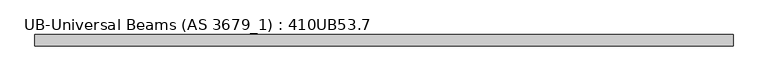
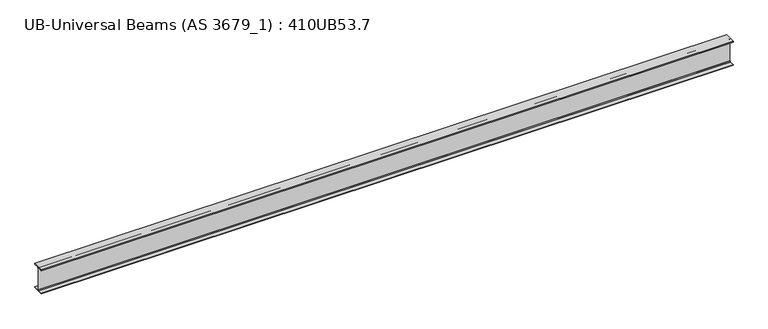
"""IFC4 building model written with IfcOpenShell, lengths in millimetres: beam geometry, UB-Universal Beams (AS 3679_1) : 410UB53.7."""

from ifc_helpers import new_model, si_unit, point, frame, frame_2d, origin, place, context, project, spatial, polyline, circle_curve, trimmed, segment, composite_curve, outline, extrude, source, transform, mapped, element, save


def ub_universal_beams_as_3679_1_410ub53_7_29cd58b0(model_context):
    return source(origin(), model_context, "Body", "SweptSolid", [
        extrude(outline(composite_curve([segment(polyline([(89.0, -190.4), (89.0, -201.3), (-89.0, -201.3), (-89.0, -190.4), (-15.2, -190.4)]), True, "CONTINUOUS"), segment(trimmed(circle_curve(frame_2d((-15.2, -179.0)), 11.4), [point((-15.2, -190.4))], [point((-3.8, -179.0))], True, "CARTESIAN"), True, "CONTINUOUS"), segment(polyline([(-3.8, -179.0), (-3.8, 179.0)]), True, "CONTINUOUS"), segment(trimmed(circle_curve(frame_2d((-15.2, 179.0)), 11.4), [point((-3.8, 179.0))], [point((-15.2, 190.4))], True, "CARTESIAN"), True, "CONTINUOUS"), segment(polyline([(-15.2, 190.4), (-89.0, 190.4), (-89.0, 201.3), (89.0, 201.3), (89.0, 190.4), (15.2, 190.4)]), True, "CONTINUOUS"), segment(trimmed(circle_curve(frame_2d((15.2, 179.0)), 11.4), [point((15.2, 190.4))], [point((3.8, 179.0))], True, "CARTESIAN"), True, "CONTINUOUS"), segment(polyline([(3.8, 179.0), (3.8, -179.0)]), True, "CONTINUOUS"), segment(trimmed(circle_curve(frame_2d((15.2, -179.0)), 11.4), [point((3.8, -179.0))], [point((15.2, -190.4))], True, "CARTESIAN"), True, "CONTINUOUS"), segment(polyline([(15.2, -190.4), (89.0, -190.4)]), True, "CONTINUOUS")], self_intersect=False)), frame((-6003.9, 0.0, 0.0), z_axis=(1.0, 0.0, 0.0), x_axis=(0.0, 1.0, 0.0)), (0.0, 0.0, 1.0), 10964.7),
    ])


if __name__ == "__main__":
    model = new_model("IFC4")
    model_context = context("Model", 3, world=origin())
    ifc_project = project(units=[si_unit("LENGTHUNIT", "METRE", prefix="MILLI")], contexts=[model_context])
    site = spatial("IfcSite", under=ifc_project)
    building = spatial("IfcBuilding", under=site)
    placement = place(None, origin())
    ub_universal_beams_as_3679_1_410ub53_7_shape = ub_universal_beams_as_3679_1_410ub53_7_29cd58b0(model_context)
    element("IfcBeam", 1, ObjectType="UB-Universal Beams (AS 3679_1) : 410UB53.7", at=placement, inside=building, context=model_context, shape_type="MappedRepresentation", body=[
        mapped(ub_universal_beams_as_3679_1_410ub53_7_shape, transform((0.0, 0.0, 0.0), x_axis=(1.0, 0.0, 0.0), y_axis=(0.0, 1.0, 0.0), z_axis=(0.0, 0.0, 1.0))),
    ])
    save(model, "model.ifc")
